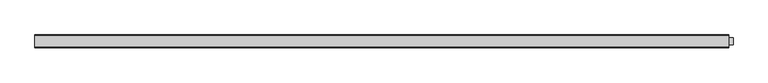
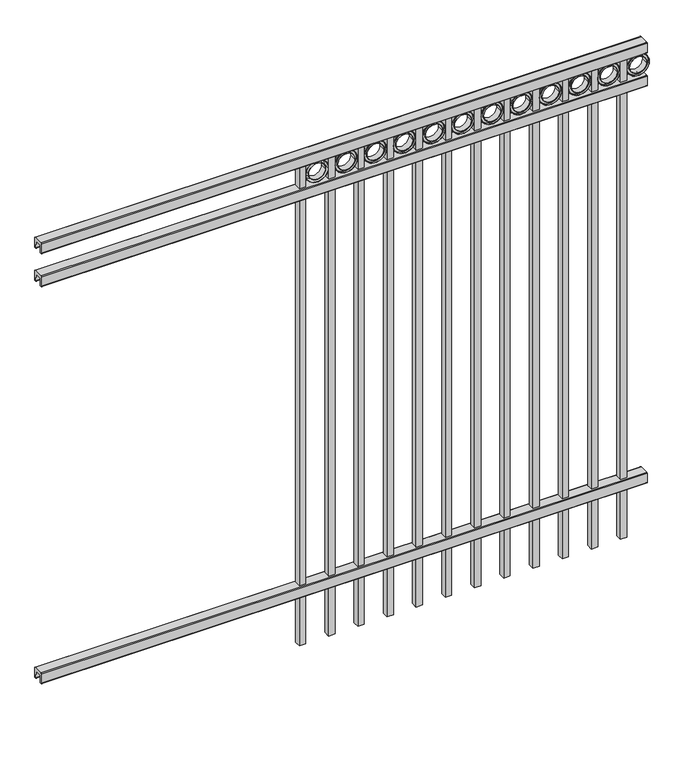
"""IFC4 building model written with IfcOpenShell, lengths in millimetres: railing geometry."""

from ifc_helpers import new_model, si_unit, point, frame, frame_2d, origin, place, context, project, spatial, polyline, circle_curve, trimmed, segment, composite_curve, outline, extrude, source, transform, mapped, element, save


def railing_6fe9418b(model_context):
    return source(origin(), model_context, "Body", "SweptSolid", [
        extrude(outline(composite_curve([segment(polyline([(8825.9139761, 304.8), (8863.969541, 304.8)]), True, "CONTINUOUS"), segment(trimmed(circle_curve(frame_2d((8863.969541, 301.625)), 3.175), [point((8863.969541, 304.8))], [point((8867.144541, 301.625))], False, "CARTESIAN"), True, "CONTINUOUS"), segment(polyline([(8867.144541, 301.625), (8867.144541, 262.1439893)]), True, "CONTINUOUS"), segment(trimmed(circle_curve(frame_2d((8865.3505518, 262.1439893)), 1.7939893), [point((8867.144541, 262.1439893))], [point((8865.3505518, 260.35))], False, "CARTESIAN"), True, "CONTINUOUS"), segment(polyline([(8865.3505518, 260.35), (8862.7590713, 260.35)]), True, "CONTINUOUS"), segment(trimmed(circle_curve(frame_2d((8862.7590713, 262.1359375)), 1.7859375), [point((8862.7590713, 260.35))], [point((8860.9755813, 262.0424688))], False, "CARTESIAN"), True, "CONTINUOUS"), segment(polyline([(8860.9755813, 262.0424688), (8859.4025867, 292.0569942), (8830.4364954, 292.0569942), (8828.8635007, 262.0424688)]), True, "CONTINUOUS"), segment(trimmed(circle_curve(frame_2d((8827.0800108, 262.1359375)), 1.7859375), [point((8828.8635007, 262.0424688))], [point((8827.0800108, 260.35))], False, "CARTESIAN"), True, "CONTINUOUS"), segment(polyline([(8827.0800108, 260.35), (8824.4804785, 260.35)]), True, "CONTINUOUS"), segment(trimmed(circle_curve(frame_2d((8824.4804785, 262.1359375)), 1.7859375), [point((8824.4804785, 260.35))], [point((8822.694541, 262.1359375))], False, "CARTESIAN"), True, "CONTINUOUS"), segment(polyline([(8822.694541, 262.1359375), (8822.694541, 301.5805649)]), True, "CONTINUOUS"), segment(trimmed(circle_curve(frame_2d((8825.9139761, 301.5805649)), 3.2194351), [point((8822.694541, 301.5805649))], [point((8825.9139761, 304.8))], False, "CARTESIAN"), True, "CONTINUOUS")], self_intersect=False)), frame((-6193.0649936, 0.0, 0.0), z_axis=(1.0, 0.0, 0.0), x_axis=(0.0, 1.0, 0.0)), (0.0, 0.0, 1.0), 2438.4),
        extrude(outline(composite_curve([segment(polyline([(8825.9139761, 1993.10625), (8863.969541, 1993.10625)]), True, "CONTINUOUS"), segment(trimmed(circle_curve(frame_2d((8863.969541, 1989.93125)), 3.175), [point((8863.969541, 1993.10625))], [point((8867.144541, 1989.93125))], False, "CARTESIAN"), True, "CONTINUOUS"), segment(polyline([(8867.144541, 1989.93125), (8867.144541, 1950.4502393)]), True, "CONTINUOUS"), segment(trimmed(circle_curve(frame_2d((8865.3505518, 1950.4502393)), 1.7939893), [point((8867.144541, 1950.4502393))], [point((8865.3505518, 1948.65625))], False, "CARTESIAN"), True, "CONTINUOUS"), segment(polyline([(8865.3505518, 1948.65625), (8862.7590713, 1948.65625)]), True, "CONTINUOUS"), segment(trimmed(circle_curve(frame_2d((8862.7590713, 1950.4421875)), 1.7859375), [point((8862.7590713, 1948.65625))], [point((8860.9755813, 1950.3487188))], False, "CARTESIAN"), True, "CONTINUOUS"), segment(polyline([(8860.9755813, 1950.3487188), (8859.4025867, 1980.3632442), (8830.4364954, 1980.3632442), (8828.8635007, 1950.3487188)]), True, "CONTINUOUS"), segment(trimmed(circle_curve(frame_2d((8827.0800108, 1950.4421875)), 1.7859375), [point((8828.8635007, 1950.3487188))], [point((8827.0800108, 1948.65625))], False, "CARTESIAN"), True, "CONTINUOUS"), segment(polyline([(8827.0800108, 1948.65625), (8824.4804785, 1948.65625)]), True, "CONTINUOUS"), segment(trimmed(circle_curve(frame_2d((8824.4804785, 1950.4421875)), 1.7859375), [point((8824.4804785, 1948.65625))], [point((8822.694541, 1950.4421875))], False, "CARTESIAN"), True, "CONTINUOUS"), segment(polyline([(8822.694541, 1950.4421875), (8822.694541, 1989.8868149)]), True, "CONTINUOUS"), segment(trimmed(circle_curve(frame_2d((8825.9139761, 1989.8868149)), 3.2194351), [point((8822.694541, 1989.8868149))], [point((8825.9139761, 1993.10625))], False, "CARTESIAN"), True, "CONTINUOUS")], self_intersect=False)), frame((-6193.0649936, 0.0, 0.0), z_axis=(1.0, 0.0, 0.0), x_axis=(0.0, 1.0, 0.0)), (0.0, 0.0, 1.0), 2438.4),
        extrude(outline(composite_curve([segment(polyline([(8825.9139761, 2133.6), (8863.969541, 2133.6)]), True, "CONTINUOUS"), segment(trimmed(circle_curve(frame_2d((8863.969541, 2130.425)), 3.175), [point((8863.969541, 2133.6))], [point((8867.144541, 2130.425))], False, "CARTESIAN"), True, "CONTINUOUS"), segment(polyline([(8867.144541, 2130.425), (8867.144541, 2090.9439893)]), True, "CONTINUOUS"), segment(trimmed(circle_curve(frame_2d((8865.3505518, 2090.9439893)), 1.7939893), [point((8867.144541, 2090.9439893))], [point((8865.3505518, 2089.15))], False, "CARTESIAN"), True, "CONTINUOUS"), segment(polyline([(8865.3505518, 2089.15), (8862.7590713, 2089.15)]), True, "CONTINUOUS"), segment(trimmed(circle_curve(frame_2d((8862.7590713, 2090.9359375)), 1.7859375), [point((8862.7590713, 2089.15))], [point((8860.9755813, 2090.8424688))], False, "CARTESIAN"), True, "CONTINUOUS"), segment(polyline([(8860.9755813, 2090.8424688), (8859.4025867, 2120.8569942), (8830.4364954, 2120.8569942), (8828.8635007, 2090.8424688)]), True, "CONTINUOUS"), segment(trimmed(circle_curve(frame_2d((8827.0800108, 2090.9359375)), 1.7859375), [point((8828.8635007, 2090.8424688))], [point((8827.0800108, 2089.15))], False, "CARTESIAN"), True, "CONTINUOUS"), segment(polyline([(8827.0800108, 2089.15), (8824.4804785, 2089.15)]), True, "CONTINUOUS"), segment(trimmed(circle_curve(frame_2d((8824.4804785, 2090.9359375)), 1.7859375), [point((8824.4804785, 2089.15))], [point((8822.694541, 2090.9359375))], False, "CARTESIAN"), True, "CONTINUOUS"), segment(polyline([(8822.694541, 2090.9359375), (8822.694541, 2130.3805649)]), True, "CONTINUOUS"), segment(trimmed(circle_curve(frame_2d((8825.9139761, 2130.3805649)), 3.2194351), [point((8822.694541, 2130.3805649))], [point((8825.9139761, 2133.6))], False, "CARTESIAN"), True, "CONTINUOUS")], self_intersect=False)), frame((-6193.0649936, 0.0, 0.0), z_axis=(1.0, 0.0, 0.0), x_axis=(0.0, 1.0, 0.0)), (0.0, 0.0, 1.0), 2438.4),
        extrude(outline(polyline([(0.0, -2038.35), (0.0, 0.0), (25.4, 0.0), (25.4, -2038.35), (0.0, -2038.35)])), frame((-3830.8649864, 8857.619541, 2089.15), z_axis=(-1.0, 0.0, 2.035783368465032e-09), x_axis=(0.0, -1.0, 0.0)), (0.0, 0.0, 1.0), 25.4),
        extrude(outline(composite_curve([segment(trimmed(circle_curve(frame_2d((2043.4511409, -3785.1661274)), 45.6988591), [point((2043.4511409, -3739.4672684))], [point((2043.4511409, -3830.8649865))], False, "CARTESIAN"), True, "CONTINUOUS"), segment(trimmed(circle_curve(frame_2d((2043.4511409, -3785.1661274)), 45.6988591), [point((2043.4511409, -3830.8649865))], [point((2043.4511409, -3739.4672684))], False, "CARTESIAN"), True, "CONTINUOUS")], self_intersect=False), holes=[composite_curve([segment(trimmed(circle_curve(frame_2d((2043.4511409, -3785.1661274)), 44.101539), [point((2043.4511409, -3741.0645884))], [point((2043.4511409, -3829.2676665))], True, "CARTESIAN"), True, "CONTINUOUS"), segment(trimmed(circle_curve(frame_2d((2043.4511409, -3785.1661274)), 44.101539), [point((2043.4511409, -3829.2676665))], [point((2043.4511409, -3741.0645884))], True, "CARTESIAN"), True, "CONTINUOUS")], self_intersect=False)]), frame((0.0, 8832.219541, 0.0), z_axis=(0.0, 1.0, 0.0), x_axis=(0.0, 0.0, 1.0)), (0.0, 0.0, 1.0), 25.4),
        extrude(outline(composite_curve([segment(trimmed(circle_curve(frame_2d((2043.4511409, -3785.1661274)), 34.6370762), [point((2043.4511409, -3750.5290512))], [point((2043.4511409, -3819.8032037))], False, "CARTESIAN"), True, "CONTINUOUS"), segment(trimmed(circle_curve(frame_2d((2043.4511409, -3785.1661274)), 34.6370762), [point((2043.4511409, -3819.8032037))], [point((2043.4511409, -3750.5290512))], False, "CARTESIAN"), True, "CONTINUOUS")], self_intersect=False), holes=[composite_curve([segment(trimmed(circle_curve(frame_2d((2043.4511409, -3785.1661274)), 33.0443887), [point((2043.4511409, -3752.1217388))], [point((2043.4511409, -3818.2105161))], True, "CARTESIAN"), True, "CONTINUOUS"), segment(trimmed(circle_curve(frame_2d((2043.4511409, -3785.1661274)), 33.0443887), [point((2043.4511409, -3818.2105161))], [point((2043.4511409, -3752.1217388))], True, "CARTESIAN"), True, "CONTINUOUS")], self_intersect=False)]), frame((0.0, 8832.219541, 0.0), z_axis=(0.0, 1.0, 0.0), x_axis=(0.0, 0.0, 1.0)), (0.0, 0.0, 1.0), 25.4),
        extrude(outline(composite_curve([segment(trimmed(circle_curve(frame_2d((2043.4511409, -3785.1661274)), 45.6988591), [point((2043.4511409, -3739.4672684))], [point((2043.4511409, -3830.8649865))], False, "CARTESIAN"), True, "CONTINUOUS"), segment(trimmed(circle_curve(frame_2d((2043.4511409, -3785.1661274)), 45.6988591), [point((2043.4511409, -3830.8649865))], [point((2043.4511409, -3739.4672684))], False, "CARTESIAN"), True, "CONTINUOUS")], self_intersect=False), holes=[composite_curve([segment(trimmed(circle_curve(frame_2d((2043.4511409, -3785.1661274)), 33.0443887), [point((2043.4511409, -3752.1217388))], [point((2043.4511409, -3818.2105161))], True, "CARTESIAN"), True, "CONTINUOUS"), segment(trimmed(circle_curve(frame_2d((2043.4511409, -3785.1661274)), 33.0443887), [point((2043.4511409, -3818.2105161))], [point((2043.4511409, -3752.1217388))], True, "CARTESIAN"), True, "CONTINUOUS")], self_intersect=False)]), frame((0.0, 8838.569541, 0.0), z_axis=(0.0, 1.0, 0.0), x_axis=(0.0, 0.0, 1.0)), (0.0, 0.0, 1.0), 12.7),
        extrude(outline(polyline([(0.0, -2038.35), (0.0, 0.0), (25.4, 0.0), (25.4, -2038.35), (0.0, -2038.35)])), frame((-3948.3399864, 8857.619541, 2089.15), z_axis=(-1.0, 0.0, 2.035783368465032e-09), x_axis=(0.0, -1.0, 0.0)), (0.0, 0.0, 1.0), 25.4),
        extrude(outline(composite_curve([segment(trimmed(circle_curve(frame_2d((2043.4511409, -3902.6411274)), 45.6988591), [point((2043.4511409, -3856.9422684))], [point((2043.4511409, -3948.3399865))], False, "CARTESIAN"), True, "CONTINUOUS"), segment(trimmed(circle_curve(frame_2d((2043.4511409, -3902.6411274)), 45.6988591), [point((2043.4511409, -3948.3399865))], [point((2043.4511409, -3856.9422684))], False, "CARTESIAN"), True, "CONTINUOUS")], self_intersect=False), holes=[composite_curve([segment(trimmed(circle_curve(frame_2d((2043.4511409, -3902.6411274)), 44.101539), [point((2043.4511409, -3858.5395884))], [point((2043.4511409, -3946.7426665))], True, "CARTESIAN"), True, "CONTINUOUS"), segment(trimmed(circle_curve(frame_2d((2043.4511409, -3902.6411274)), 44.101539), [point((2043.4511409, -3946.7426665))], [point((2043.4511409, -3858.5395884))], True, "CARTESIAN"), True, "CONTINUOUS")], self_intersect=False)]), frame((0.0, 8832.219541, 0.0), z_axis=(0.0, 1.0, 0.0), x_axis=(0.0, 0.0, 1.0)), (0.0, 0.0, 1.0), 25.4),
        extrude(outline(composite_curve([segment(trimmed(circle_curve(frame_2d((2043.4511409, -3902.6411274)), 34.6370762), [point((2043.4511409, -3868.0040512))], [point((2043.4511409, -3937.2782037))], False, "CARTESIAN"), True, "CONTINUOUS"), segment(trimmed(circle_curve(frame_2d((2043.4511409, -3902.6411274)), 34.6370762), [point((2043.4511409, -3937.2782037))], [point((2043.4511409, -3868.0040512))], False, "CARTESIAN"), True, "CONTINUOUS")], self_intersect=False), holes=[composite_curve([segment(trimmed(circle_curve(frame_2d((2043.4511409, -3902.6411274)), 33.0443887), [point((2043.4511409, -3869.5967388))], [point((2043.4511409, -3935.6855161))], True, "CARTESIAN"), True, "CONTINUOUS"), segment(trimmed(circle_curve(frame_2d((2043.4511409, -3902.6411274)), 33.0443887), [point((2043.4511409, -3935.6855161))], [point((2043.4511409, -3869.5967388))], True, "CARTESIAN"), True, "CONTINUOUS")], self_intersect=False)]), frame((0.0, 8832.219541, 0.0), z_axis=(0.0, 1.0, 0.0), x_axis=(0.0, 0.0, 1.0)), (0.0, 0.0, 1.0), 25.4),
        extrude(outline(composite_curve([segment(trimmed(circle_curve(frame_2d((2043.4511409, -3902.6411274)), 45.6988591), [point((2043.4511409, -3856.9422684))], [point((2043.4511409, -3948.3399865))], False, "CARTESIAN"), True, "CONTINUOUS"), segment(trimmed(circle_curve(frame_2d((2043.4511409, -3902.6411274)), 45.6988591), [point((2043.4511409, -3948.3399865))], [point((2043.4511409, -3856.9422684))], False, "CARTESIAN"), True, "CONTINUOUS")], self_intersect=False), holes=[composite_curve([segment(trimmed(circle_curve(frame_2d((2043.4511409, -3902.6411274)), 33.0443887), [point((2043.4511409, -3869.5967388))], [point((2043.4511409, -3935.6855161))], True, "CARTESIAN"), True, "CONTINUOUS"), segment(trimmed(circle_curve(frame_2d((2043.4511409, -3902.6411274)), 33.0443887), [point((2043.4511409, -3935.6855161))], [point((2043.4511409, -3869.5967388))], True, "CARTESIAN"), True, "CONTINUOUS")], self_intersect=False)]), frame((0.0, 8838.569541, 0.0), z_axis=(0.0, 1.0, 0.0), x_axis=(0.0, 0.0, 1.0)), (0.0, 0.0, 1.0), 12.7),
        extrude(outline(polyline([(0.0, -2038.35), (0.0, 0.0), (25.4, 0.0), (25.4, -2038.35), (0.0, -2038.35)])), frame((-4065.8149864, 8857.619541, 2089.15), z_axis=(-1.0, 0.0, 2.035783368465032e-09), x_axis=(0.0, -1.0, 0.0)), (0.0, 0.0, 1.0), 25.4),
        extrude(outline(composite_curve([segment(trimmed(circle_curve(frame_2d((2043.4511409, -4020.1161274)), 45.6988591), [point((2043.4511409, -3974.4172684))], [point((2043.4511409, -4065.8149865))], False, "CARTESIAN"), True, "CONTINUOUS"), segment(trimmed(circle_curve(frame_2d((2043.4511409, -4020.1161274)), 45.6988591), [point((2043.4511409, -4065.8149865))], [point((2043.4511409, -3974.4172684))], False, "CARTESIAN"), True, "CONTINUOUS")], self_intersect=False), holes=[composite_curve([segment(trimmed(circle_curve(frame_2d((2043.4511409, -4020.1161274)), 44.101539), [point((2043.4511409, -3976.0145884))], [point((2043.4511409, -4064.2176665))], True, "CARTESIAN"), True, "CONTINUOUS"), segment(trimmed(circle_curve(frame_2d((2043.4511409, -4020.1161274)), 44.101539), [point((2043.4511409, -4064.2176665))], [point((2043.4511409, -3976.0145884))], True, "CARTESIAN"), True, "CONTINUOUS")], self_intersect=False)]), frame((0.0, 8832.219541, 0.0), z_axis=(0.0, 1.0, 0.0), x_axis=(0.0, 0.0, 1.0)), (0.0, 0.0, 1.0), 25.4),
        extrude(outline(composite_curve([segment(trimmed(circle_curve(frame_2d((2043.4511409, -4020.1161274)), 34.6370762), [point((2043.4511409, -3985.4790512))], [point((2043.4511409, -4054.7532037))], False, "CARTESIAN"), True, "CONTINUOUS"), segment(trimmed(circle_curve(frame_2d((2043.4511409, -4020.1161274)), 34.6370762), [point((2043.4511409, -4054.7532037))], [point((2043.4511409, -3985.4790512))], False, "CARTESIAN"), True, "CONTINUOUS")], self_intersect=False), holes=[composite_curve([segment(trimmed(circle_curve(frame_2d((2043.4511409, -4020.1161274)), 33.0443887), [point((2043.4511409, -3987.0717388))], [point((2043.4511409, -4053.1605161))], True, "CARTESIAN"), True, "CONTINUOUS"), segment(trimmed(circle_curve(frame_2d((2043.4511409, -4020.1161274)), 33.0443887), [point((2043.4511409, -4053.1605161))], [point((2043.4511409, -3987.0717388))], True, "CARTESIAN"), True, "CONTINUOUS")], self_intersect=False)]), frame((0.0, 8832.219541, 0.0), z_axis=(0.0, 1.0, 0.0), x_axis=(0.0, 0.0, 1.0)), (0.0, 0.0, 1.0), 25.4),
        extrude(outline(composite_curve([segment(trimmed(circle_curve(frame_2d((2043.4511409, -4020.1161274)), 45.6988591), [point((2043.4511409, -3974.4172684))], [point((2043.4511409, -4065.8149865))], False, "CARTESIAN"), True, "CONTINUOUS"), segment(trimmed(circle_curve(frame_2d((2043.4511409, -4020.1161274)), 45.6988591), [point((2043.4511409, -4065.8149865))], [point((2043.4511409, -3974.4172684))], False, "CARTESIAN"), True, "CONTINUOUS")], self_intersect=False), holes=[composite_curve([segment(trimmed(circle_curve(frame_2d((2043.4511409, -4020.1161274)), 33.0443887), [point((2043.4511409, -3987.0717388))], [point((2043.4511409, -4053.1605161))], True, "CARTESIAN"), True, "CONTINUOUS"), segment(trimmed(circle_curve(frame_2d((2043.4511409, -4020.1161274)), 33.0443887), [point((2043.4511409, -4053.1605161))], [point((2043.4511409, -3987.0717388))], True, "CARTESIAN"), True, "CONTINUOUS")], self_intersect=False)]), frame((0.0, 8838.569541, 0.0), z_axis=(0.0, 1.0, 0.0), x_axis=(0.0, 0.0, 1.0)), (0.0, 0.0, 1.0), 12.7),
        extrude(outline(polyline([(0.0, -2038.35), (0.0, 0.0), (25.4, 0.0), (25.4, -2038.35), (0.0, -2038.35)])), frame((-4183.2899864, 8857.619541, 2089.15), z_axis=(-1.0, 0.0, 2.035783368465032e-09), x_axis=(0.0, -1.0, 0.0)), (0.0, 0.0, 1.0), 25.4),
        extrude(outline(composite_curve([segment(trimmed(circle_curve(frame_2d((2043.4511409, -4137.5911274)), 45.6988591), [point((2043.4511409, -4091.8922684))], [point((2043.4511409, -4183.2899865))], False, "CARTESIAN"), True, "CONTINUOUS"), segment(trimmed(circle_curve(frame_2d((2043.4511409, -4137.5911274)), 45.6988591), [point((2043.4511409, -4183.2899865))], [point((2043.4511409, -4091.8922684))], False, "CARTESIAN"), True, "CONTINUOUS")], self_intersect=False), holes=[composite_curve([segment(trimmed(circle_curve(frame_2d((2043.4511409, -4137.5911274)), 44.101539), [point((2043.4511409, -4093.4895884))], [point((2043.4511409, -4181.6926665))], True, "CARTESIAN"), True, "CONTINUOUS"), segment(trimmed(circle_curve(frame_2d((2043.4511409, -4137.5911274)), 44.101539), [point((2043.4511409, -4181.6926665))], [point((2043.4511409, -4093.4895884))], True, "CARTESIAN"), True, "CONTINUOUS")], self_intersect=False)]), frame((0.0, 8832.219541, 0.0), z_axis=(0.0, 1.0, 0.0), x_axis=(0.0, 0.0, 1.0)), (0.0, 0.0, 1.0), 25.4),
        extrude(outline(composite_curve([segment(trimmed(circle_curve(frame_2d((2043.4511409, -4137.5911274)), 34.6370762), [point((2043.4511409, -4102.9540512))], [point((2043.4511409, -4172.2282037))], False, "CARTESIAN"), True, "CONTINUOUS"), segment(trimmed(circle_curve(frame_2d((2043.4511409, -4137.5911274)), 34.6370762), [point((2043.4511409, -4172.2282037))], [point((2043.4511409, -4102.9540512))], False, "CARTESIAN"), True, "CONTINUOUS")], self_intersect=False), holes=[composite_curve([segment(trimmed(circle_curve(frame_2d((2043.4511409, -4137.5911274)), 33.0443887), [point((2043.4511409, -4104.5467388))], [point((2043.4511409, -4170.6355161))], True, "CARTESIAN"), True, "CONTINUOUS"), segment(trimmed(circle_curve(frame_2d((2043.4511409, -4137.5911274)), 33.0443887), [point((2043.4511409, -4170.6355161))], [point((2043.4511409, -4104.5467388))], True, "CARTESIAN"), True, "CONTINUOUS")], self_intersect=False)]), frame((0.0, 8832.219541, 0.0), z_axis=(0.0, 1.0, 0.0), x_axis=(0.0, 0.0, 1.0)), (0.0, 0.0, 1.0), 25.4),
        extrude(outline(composite_curve([segment(trimmed(circle_curve(frame_2d((2043.4511409, -4137.5911274)), 45.6988591), [point((2043.4511409, -4091.8922684))], [point((2043.4511409, -4183.2899865))], False, "CARTESIAN"), True, "CONTINUOUS"), segment(trimmed(circle_curve(frame_2d((2043.4511409, -4137.5911274)), 45.6988591), [point((2043.4511409, -4183.2899865))], [point((2043.4511409, -4091.8922684))], False, "CARTESIAN"), True, "CONTINUOUS")], self_intersect=False), holes=[composite_curve([segment(trimmed(circle_curve(frame_2d((2043.4511409, -4137.5911274)), 33.0443887), [point((2043.4511409, -4104.5467388))], [point((2043.4511409, -4170.6355161))], True, "CARTESIAN"), True, "CONTINUOUS"), segment(trimmed(circle_curve(frame_2d((2043.4511409, -4137.5911274)), 33.0443887), [point((2043.4511409, -4170.6355161))], [point((2043.4511409, -4104.5467388))], True, "CARTESIAN"), True, "CONTINUOUS")], self_intersect=False)]), frame((0.0, 8838.569541, 0.0), z_axis=(0.0, 1.0, 0.0), x_axis=(0.0, 0.0, 1.0)), (0.0, 0.0, 1.0), 12.7),
        extrude(outline(polyline([(0.0, -2038.35), (0.0, 0.0), (25.4, 0.0), (25.4, -2038.35), (0.0, -2038.35)])), frame((-4300.7649864, 8857.619541, 2089.15), z_axis=(-1.0, 0.0, 2.035783368465032e-09), x_axis=(0.0, -1.0, 0.0)), (0.0, 0.0, 1.0), 25.4),
        extrude(outline(composite_curve([segment(trimmed(circle_curve(frame_2d((2043.4511409, -4255.0661274)), 45.6988591), [point((2043.4511409, -4209.3672684))], [point((2043.4511409, -4300.7649865))], False, "CARTESIAN"), True, "CONTINUOUS"), segment(trimmed(circle_curve(frame_2d((2043.4511409, -4255.0661274)), 45.6988591), [point((2043.4511409, -4300.7649865))], [point((2043.4511409, -4209.3672684))], False, "CARTESIAN"), True, "CONTINUOUS")], self_intersect=False), holes=[composite_curve([segment(trimmed(circle_curve(frame_2d((2043.4511409, -4255.0661274)), 44.101539), [point((2043.4511409, -4210.9645884))], [point((2043.4511409, -4299.1676665))], True, "CARTESIAN"), True, "CONTINUOUS"), segment(trimmed(circle_curve(frame_2d((2043.4511409, -4255.0661274)), 44.101539), [point((2043.4511409, -4299.1676665))], [point((2043.4511409, -4210.9645884))], True, "CARTESIAN"), True, "CONTINUOUS")], self_intersect=False)]), frame((0.0, 8832.219541, 0.0), z_axis=(0.0, 1.0, 0.0), x_axis=(0.0, 0.0, 1.0)), (0.0, 0.0, 1.0), 25.4),
        extrude(outline(composite_curve([segment(trimmed(circle_curve(frame_2d((2043.4511409, -4255.0661274)), 34.6370762), [point((2043.4511409, -4220.4290512))], [point((2043.4511409, -4289.7032037))], False, "CARTESIAN"), True, "CONTINUOUS"), segment(trimmed(circle_curve(frame_2d((2043.4511409, -4255.0661274)), 34.6370762), [point((2043.4511409, -4289.7032037))], [point((2043.4511409, -4220.4290512))], False, "CARTESIAN"), True, "CONTINUOUS")], self_intersect=False), holes=[composite_curve([segment(trimmed(circle_curve(frame_2d((2043.4511409, -4255.0661274)), 33.0443887), [point((2043.4511409, -4222.0217388))], [point((2043.4511409, -4288.1105161))], True, "CARTESIAN"), True, "CONTINUOUS"), segment(trimmed(circle_curve(frame_2d((2043.4511409, -4255.0661274)), 33.0443887), [point((2043.4511409, -4288.1105161))], [point((2043.4511409, -4222.0217388))], True, "CARTESIAN"), True, "CONTINUOUS")], self_intersect=False)]), frame((0.0, 8832.219541, 0.0), z_axis=(0.0, 1.0, 0.0), x_axis=(0.0, 0.0, 1.0)), (0.0, 0.0, 1.0), 25.4),
        extrude(outline(composite_curve([segment(trimmed(circle_curve(frame_2d((2043.4511409, -4255.0661274)), 45.6988591), [point((2043.4511409, -4209.3672684))], [point((2043.4511409, -4300.7649865))], False, "CARTESIAN"), True, "CONTINUOUS"), segment(trimmed(circle_curve(frame_2d((2043.4511409, -4255.0661274)), 45.6988591), [point((2043.4511409, -4300.7649865))], [point((2043.4511409, -4209.3672684))], False, "CARTESIAN"), True, "CONTINUOUS")], self_intersect=False), holes=[composite_curve([segment(trimmed(circle_curve(frame_2d((2043.4511409, -4255.0661274)), 33.0443887), [point((2043.4511409, -4222.0217388))], [point((2043.4511409, -4288.1105161))], True, "CARTESIAN"), True, "CONTINUOUS"), segment(trimmed(circle_curve(frame_2d((2043.4511409, -4255.0661274)), 33.0443887), [point((2043.4511409, -4288.1105161))], [point((2043.4511409, -4222.0217388))], True, "CARTESIAN"), True, "CONTINUOUS")], self_intersect=False)]), frame((0.0, 8838.569541, 0.0), z_axis=(0.0, 1.0, 0.0), x_axis=(0.0, 0.0, 1.0)), (0.0, 0.0, 1.0), 12.7),
        extrude(outline(polyline([(0.0, -2038.35), (0.0, 0.0), (25.4, 0.0), (25.4, -2038.35), (0.0, -2038.35)])), frame((-4418.2399864, 8857.619541, 2089.15), z_axis=(-1.0, 0.0, 2.035783368465032e-09), x_axis=(0.0, -1.0, 0.0)), (0.0, 0.0, 1.0), 25.4),
        extrude(outline(composite_curve([segment(trimmed(circle_curve(frame_2d((2043.4511409, -4372.5411274)), 45.6988591), [point((2043.4511409, -4326.8422684))], [point((2043.4511409, -4418.2399865))], False, "CARTESIAN"), True, "CONTINUOUS"), segment(trimmed(circle_curve(frame_2d((2043.4511409, -4372.5411274)), 45.6988591), [point((2043.4511409, -4418.2399865))], [point((2043.4511409, -4326.8422684))], False, "CARTESIAN"), True, "CONTINUOUS")], self_intersect=False), holes=[composite_curve([segment(trimmed(circle_curve(frame_2d((2043.4511409, -4372.5411274)), 44.101539), [point((2043.4511409, -4328.4395884))], [point((2043.4511409, -4416.6426665))], True, "CARTESIAN"), True, "CONTINUOUS"), segment(trimmed(circle_curve(frame_2d((2043.4511409, -4372.5411274)), 44.101539), [point((2043.4511409, -4416.6426665))], [point((2043.4511409, -4328.4395884))], True, "CARTESIAN"), True, "CONTINUOUS")], self_intersect=False)]), frame((0.0, 8832.219541, 0.0), z_axis=(0.0, 1.0, 0.0), x_axis=(0.0, 0.0, 1.0)), (0.0, 0.0, 1.0), 25.4),
        extrude(outline(composite_curve([segment(trimmed(circle_curve(frame_2d((2043.4511409, -4372.5411274)), 34.6370762), [point((2043.4511409, -4337.9040512))], [point((2043.4511409, -4407.1782037))], False, "CARTESIAN"), True, "CONTINUOUS"), segment(trimmed(circle_curve(frame_2d((2043.4511409, -4372.5411274)), 34.6370762), [point((2043.4511409, -4407.1782037))], [point((2043.4511409, -4337.9040512))], False, "CARTESIAN"), True, "CONTINUOUS")], self_intersect=False), holes=[composite_curve([segment(trimmed(circle_curve(frame_2d((2043.4511409, -4372.5411274)), 33.0443887), [point((2043.4511409, -4339.4967388))], [point((2043.4511409, -4405.5855161))], True, "CARTESIAN"), True, "CONTINUOUS"), segment(trimmed(circle_curve(frame_2d((2043.4511409, -4372.5411274)), 33.0443887), [point((2043.4511409, -4405.5855161))], [point((2043.4511409, -4339.4967388))], True, "CARTESIAN"), True, "CONTINUOUS")], self_intersect=False)]), frame((0.0, 8832.219541, 0.0), z_axis=(0.0, 1.0, 0.0), x_axis=(0.0, 0.0, 1.0)), (0.0, 0.0, 1.0), 25.4),
        extrude(outline(composite_curve([segment(trimmed(circle_curve(frame_2d((2043.4511409, -4372.5411274)), 45.6988591), [point((2043.4511409, -4326.8422684))], [point((2043.4511409, -4418.2399865))], False, "CARTESIAN"), True, "CONTINUOUS"), segment(trimmed(circle_curve(frame_2d((2043.4511409, -4372.5411274)), 45.6988591), [point((2043.4511409, -4418.2399865))], [point((2043.4511409, -4326.8422684))], False, "CARTESIAN"), True, "CONTINUOUS")], self_intersect=False), holes=[composite_curve([segment(trimmed(circle_curve(frame_2d((2043.4511409, -4372.5411274)), 33.0443887), [point((2043.4511409, -4339.4967388))], [point((2043.4511409, -4405.5855161))], True, "CARTESIAN"), True, "CONTINUOUS"), segment(trimmed(circle_curve(frame_2d((2043.4511409, -4372.5411274)), 33.0443887), [point((2043.4511409, -4405.5855161))], [point((2043.4511409, -4339.4967388))], True, "CARTESIAN"), True, "CONTINUOUS")], self_intersect=False)]), frame((0.0, 8838.569541, 0.0), z_axis=(0.0, 1.0, 0.0), x_axis=(0.0, 0.0, 1.0)), (0.0, 0.0, 1.0), 12.7),
        extrude(outline(polyline([(0.0, -2038.35), (0.0, 0.0), (25.4, 0.0), (25.4, -2038.35), (0.0, -2038.35)])), frame((-4535.7149864, 8857.619541, 2089.15), z_axis=(-1.0, 0.0, 2.035783368465032e-09), x_axis=(0.0, -1.0, 0.0)), (0.0, 0.0, 1.0), 25.4),
        extrude(outline(composite_curve([segment(trimmed(circle_curve(frame_2d((2043.4511409, -4490.0161274)), 45.6988591), [point((2043.4511409, -4444.3172684))], [point((2043.4511409, -4535.7149865))], False, "CARTESIAN"), True, "CONTINUOUS"), segment(trimmed(circle_curve(frame_2d((2043.4511409, -4490.0161274)), 45.6988591), [point((2043.4511409, -4535.7149865))], [point((2043.4511409, -4444.3172684))], False, "CARTESIAN"), True, "CONTINUOUS")], self_intersect=False), holes=[composite_curve([segment(trimmed(circle_curve(frame_2d((2043.4511409, -4490.0161274)), 44.101539), [point((2043.4511409, -4445.9145884))], [point((2043.4511409, -4534.1176665))], True, "CARTESIAN"), True, "CONTINUOUS"), segment(trimmed(circle_curve(frame_2d((2043.4511409, -4490.0161274)), 44.101539), [point((2043.4511409, -4534.1176665))], [point((2043.4511409, -4445.9145884))], True, "CARTESIAN"), True, "CONTINUOUS")], self_intersect=False)]), frame((0.0, 8832.219541, 0.0), z_axis=(0.0, 1.0, 0.0), x_axis=(0.0, 0.0, 1.0)), (0.0, 0.0, 1.0), 25.4),
        extrude(outline(composite_curve([segment(trimmed(circle_curve(frame_2d((2043.4511409, -4490.0161274)), 34.6370762), [point((2043.4511409, -4455.3790512))], [point((2043.4511409, -4524.6532037))], False, "CARTESIAN"), True, "CONTINUOUS"), segment(trimmed(circle_curve(frame_2d((2043.4511409, -4490.0161274)), 34.6370762), [point((2043.4511409, -4524.6532037))], [point((2043.4511409, -4455.3790512))], False, "CARTESIAN"), True, "CONTINUOUS")], self_intersect=False), holes=[composite_curve([segment(trimmed(circle_curve(frame_2d((2043.4511409, -4490.0161274)), 33.0443887), [point((2043.4511409, -4456.9717388))], [point((2043.4511409, -4523.0605161))], True, "CARTESIAN"), True, "CONTINUOUS"), segment(trimmed(circle_curve(frame_2d((2043.4511409, -4490.0161274)), 33.0443887), [point((2043.4511409, -4523.0605161))], [point((2043.4511409, -4456.9717388))], True, "CARTESIAN"), True, "CONTINUOUS")], self_intersect=False)]), frame((0.0, 8832.219541, 0.0), z_axis=(0.0, 1.0, 0.0), x_axis=(0.0, 0.0, 1.0)), (0.0, 0.0, 1.0), 25.4),
        extrude(outline(composite_curve([segment(trimmed(circle_curve(frame_2d((2043.4511409, -4490.0161274)), 45.6988591), [point((2043.4511409, -4444.3172684))], [point((2043.4511409, -4535.7149865))], False, "CARTESIAN"), True, "CONTINUOUS"), segment(trimmed(circle_curve(frame_2d((2043.4511409, -4490.0161274)), 45.6988591), [point((2043.4511409, -4535.7149865))], [point((2043.4511409, -4444.3172684))], False, "CARTESIAN"), True, "CONTINUOUS")], self_intersect=False), holes=[composite_curve([segment(trimmed(circle_curve(frame_2d((2043.4511409, -4490.0161274)), 33.0443887), [point((2043.4511409, -4456.9717388))], [point((2043.4511409, -4523.0605161))], True, "CARTESIAN"), True, "CONTINUOUS"), segment(trimmed(circle_curve(frame_2d((2043.4511409, -4490.0161274)), 33.0443887), [point((2043.4511409, -4523.0605161))], [point((2043.4511409, -4456.9717388))], True, "CARTESIAN"), True, "CONTINUOUS")], self_intersect=False)]), frame((0.0, 8838.569541, 0.0), z_axis=(0.0, 1.0, 0.0), x_axis=(0.0, 0.0, 1.0)), (0.0, 0.0, 1.0), 12.7),
        extrude(outline(polyline([(0.0, -2038.35), (0.0, 0.0), (25.4, 0.0), (25.4, -2038.35), (0.0, -2038.35)])), frame((-4653.1899864, 8857.619541, 2089.15), z_axis=(-1.0, 0.0, 2.035783368465032e-09), x_axis=(0.0, -1.0, 0.0)), (0.0, 0.0, 1.0), 25.4),
        extrude(outline(composite_curve([segment(trimmed(circle_curve(frame_2d((2043.4511409, -4607.4911274)), 45.6988591), [point((2043.4511409, -4561.7922684))], [point((2043.4511409, -4653.1899865))], False, "CARTESIAN"), True, "CONTINUOUS"), segment(trimmed(circle_curve(frame_2d((2043.4511409, -4607.4911274)), 45.6988591), [point((2043.4511409, -4653.1899865))], [point((2043.4511409, -4561.7922684))], False, "CARTESIAN"), True, "CONTINUOUS")], self_intersect=False), holes=[composite_curve([segment(trimmed(circle_curve(frame_2d((2043.4511409, -4607.4911274)), 44.101539), [point((2043.4511409, -4563.3895884))], [point((2043.4511409, -4651.5926665))], True, "CARTESIAN"), True, "CONTINUOUS"), segment(trimmed(circle_curve(frame_2d((2043.4511409, -4607.4911274)), 44.101539), [point((2043.4511409, -4651.5926665))], [point((2043.4511409, -4563.3895884))], True, "CARTESIAN"), True, "CONTINUOUS")], self_intersect=False)]), frame((0.0, 8832.219541, 0.0), z_axis=(0.0, 1.0, 0.0), x_axis=(0.0, 0.0, 1.0)), (0.0, 0.0, 1.0), 25.4),
        extrude(outline(composite_curve([segment(trimmed(circle_curve(frame_2d((2043.4511409, -4607.4911274)), 34.6370762), [point((2043.4511409, -4572.8540512))], [point((2043.4511409, -4642.1282037))], False, "CARTESIAN"), True, "CONTINUOUS"), segment(trimmed(circle_curve(frame_2d((2043.4511409, -4607.4911274)), 34.6370762), [point((2043.4511409, -4642.1282037))], [point((2043.4511409, -4572.8540512))], False, "CARTESIAN"), True, "CONTINUOUS")], self_intersect=False), holes=[composite_curve([segment(trimmed(circle_curve(frame_2d((2043.4511409, -4607.4911274)), 33.0443887), [point((2043.4511409, -4574.4467388))], [point((2043.4511409, -4640.5355161))], True, "CARTESIAN"), True, "CONTINUOUS"), segment(trimmed(circle_curve(frame_2d((2043.4511409, -4607.4911274)), 33.0443887), [point((2043.4511409, -4640.5355161))], [point((2043.4511409, -4574.4467388))], True, "CARTESIAN"), True, "CONTINUOUS")], self_intersect=False)]), frame((0.0, 8832.219541, 0.0), z_axis=(0.0, 1.0, 0.0), x_axis=(0.0, 0.0, 1.0)), (0.0, 0.0, 1.0), 25.4),
        extrude(outline(composite_curve([segment(trimmed(circle_curve(frame_2d((2043.4511409, -4607.4911274)), 45.6988591), [point((2043.4511409, -4561.7922684))], [point((2043.4511409, -4653.1899865))], False, "CARTESIAN"), True, "CONTINUOUS"), segment(trimmed(circle_curve(frame_2d((2043.4511409, -4607.4911274)), 45.6988591), [point((2043.4511409, -4653.1899865))], [point((2043.4511409, -4561.7922684))], False, "CARTESIAN"), True, "CONTINUOUS")], self_intersect=False), holes=[composite_curve([segment(trimmed(circle_curve(frame_2d((2043.4511409, -4607.4911274)), 33.0443887), [point((2043.4511409, -4574.4467388))], [point((2043.4511409, -4640.5355161))], True, "CARTESIAN"), True, "CONTINUOUS"), segment(trimmed(circle_curve(frame_2d((2043.4511409, -4607.4911274)), 33.0443887), [point((2043.4511409, -4640.5355161))], [point((2043.4511409, -4574.4467388))], True, "CARTESIAN"), True, "CONTINUOUS")], self_intersect=False)]), frame((0.0, 8838.569541, 0.0), z_axis=(0.0, 1.0, 0.0), x_axis=(0.0, 0.0, 1.0)), (0.0, 0.0, 1.0), 12.7),
        extrude(outline(polyline([(0.0, -2038.35), (0.0, 0.0), (25.4, 0.0), (25.4, -2038.35), (0.0, -2038.35)])), frame((-4770.6649864, 8857.619541, 2089.15), z_axis=(-1.0, 0.0, 2.035783368465032e-09), x_axis=(0.0, -1.0, 0.0)), (0.0, 0.0, 1.0), 25.4),
        extrude(outline(composite_curve([segment(trimmed(circle_curve(frame_2d((2043.4511409, -4724.9661274)), 45.6988591), [point((2043.4511409, -4679.2672684))], [point((2043.4511409, -4770.6649865))], False, "CARTESIAN"), True, "CONTINUOUS"), segment(trimmed(circle_curve(frame_2d((2043.4511409, -4724.9661274)), 45.6988591), [point((2043.4511409, -4770.6649865))], [point((2043.4511409, -4679.2672684))], False, "CARTESIAN"), True, "CONTINUOUS")], self_intersect=False), holes=[composite_curve([segment(trimmed(circle_curve(frame_2d((2043.4511409, -4724.9661274)), 44.101539), [point((2043.4511409, -4680.8645884))], [point((2043.4511409, -4769.0676665))], True, "CARTESIAN"), True, "CONTINUOUS"), segment(trimmed(circle_curve(frame_2d((2043.4511409, -4724.9661274)), 44.101539), [point((2043.4511409, -4769.0676665))], [point((2043.4511409, -4680.8645884))], True, "CARTESIAN"), True, "CONTINUOUS")], self_intersect=False)]), frame((0.0, 8832.219541, 0.0), z_axis=(0.0, 1.0, 0.0), x_axis=(0.0, 0.0, 1.0)), (0.0, 0.0, 1.0), 25.4),
        extrude(outline(composite_curve([segment(trimmed(circle_curve(frame_2d((2043.4511409, -4724.9661274)), 34.6370762), [point((2043.4511409, -4690.3290512))], [point((2043.4511409, -4759.6032037))], False, "CARTESIAN"), True, "CONTINUOUS"), segment(trimmed(circle_curve(frame_2d((2043.4511409, -4724.9661274)), 34.6370762), [point((2043.4511409, -4759.6032037))], [point((2043.4511409, -4690.3290512))], False, "CARTESIAN"), True, "CONTINUOUS")], self_intersect=False), holes=[composite_curve([segment(trimmed(circle_curve(frame_2d((2043.4511409, -4724.9661274)), 33.0443887), [point((2043.4511409, -4691.9217388))], [point((2043.4511409, -4758.0105161))], True, "CARTESIAN"), True, "CONTINUOUS"), segment(trimmed(circle_curve(frame_2d((2043.4511409, -4724.9661274)), 33.0443887), [point((2043.4511409, -4758.0105161))], [point((2043.4511409, -4691.9217388))], True, "CARTESIAN"), True, "CONTINUOUS")], self_intersect=False)]), frame((0.0, 8832.219541, 0.0), z_axis=(0.0, 1.0, 0.0), x_axis=(0.0, 0.0, 1.0)), (0.0, 0.0, 1.0), 25.4),
        extrude(outline(composite_curve([segment(trimmed(circle_curve(frame_2d((2043.4511409, -4724.9661274)), 45.6988591), [point((2043.4511409, -4679.2672684))], [point((2043.4511409, -4770.6649865))], False, "CARTESIAN"), True, "CONTINUOUS"), segment(trimmed(circle_curve(frame_2d((2043.4511409, -4724.9661274)), 45.6988591), [point((2043.4511409, -4770.6649865))], [point((2043.4511409, -4679.2672684))], False, "CARTESIAN"), True, "CONTINUOUS")], self_intersect=False), holes=[composite_curve([segment(trimmed(circle_curve(frame_2d((2043.4511409, -4724.9661274)), 33.0443887), [point((2043.4511409, -4691.9217388))], [point((2043.4511409, -4758.0105161))], True, "CARTESIAN"), True, "CONTINUOUS"), segment(trimmed(circle_curve(frame_2d((2043.4511409, -4724.9661274)), 33.0443887), [point((2043.4511409, -4758.0105161))], [point((2043.4511409, -4691.9217388))], True, "CARTESIAN"), True, "CONTINUOUS")], self_intersect=False)]), frame((0.0, 8838.569541, 0.0), z_axis=(0.0, 1.0, 0.0), x_axis=(0.0, 0.0, 1.0)), (0.0, 0.0, 1.0), 12.7),
        extrude(outline(polyline([(0.0, -2038.35), (0.0, 0.0), (25.4, 0.0), (25.4, -2038.35), (0.0, -2038.35)])), frame((-4888.1399864, 8857.619541, 2089.15), z_axis=(-1.0, 0.0, 2.035783368465032e-09), x_axis=(0.0, -1.0, 0.0)), (0.0, 0.0, 1.0), 25.4),
        extrude(outline(composite_curve([segment(trimmed(circle_curve(frame_2d((2043.4511409, -4842.4411274)), 45.6988591), [point((2043.4511409, -4796.7422684))], [point((2043.4511409, -4888.1399865))], False, "CARTESIAN"), True, "CONTINUOUS"), segment(trimmed(circle_curve(frame_2d((2043.4511409, -4842.4411274)), 45.6988591), [point((2043.4511409, -4888.1399865))], [point((2043.4511409, -4796.7422684))], False, "CARTESIAN"), True, "CONTINUOUS")], self_intersect=False), holes=[composite_curve([segment(trimmed(circle_curve(frame_2d((2043.4511409, -4842.4411274)), 44.101539), [point((2043.4511409, -4798.3395884))], [point((2043.4511409, -4886.5426665))], True, "CARTESIAN"), True, "CONTINUOUS"), segment(trimmed(circle_curve(frame_2d((2043.4511409, -4842.4411274)), 44.101539), [point((2043.4511409, -4886.5426665))], [point((2043.4511409, -4798.3395884))], True, "CARTESIAN"), True, "CONTINUOUS")], self_intersect=False)]), frame((0.0, 8832.219541, 0.0), z_axis=(0.0, 1.0, 0.0), x_axis=(0.0, 0.0, 1.0)), (0.0, 0.0, 1.0), 25.4),
        extrude(outline(composite_curve([segment(trimmed(circle_curve(frame_2d((2043.4511409, -4842.4411274)), 34.6370762), [point((2043.4511409, -4807.8040512))], [point((2043.4511409, -4877.0782037))], False, "CARTESIAN"), True, "CONTINUOUS"), segment(trimmed(circle_curve(frame_2d((2043.4511409, -4842.4411274)), 34.6370762), [point((2043.4511409, -4877.0782037))], [point((2043.4511409, -4807.8040512))], False, "CARTESIAN"), True, "CONTINUOUS")], self_intersect=False), holes=[composite_curve([segment(trimmed(circle_curve(frame_2d((2043.4511409, -4842.4411274)), 33.0443887), [point((2043.4511409, -4809.3967388))], [point((2043.4511409, -4875.4855161))], True, "CARTESIAN"), True, "CONTINUOUS"), segment(trimmed(circle_curve(frame_2d((2043.4511409, -4842.4411274)), 33.0443887), [point((2043.4511409, -4875.4855161))], [point((2043.4511409, -4809.3967388))], True, "CARTESIAN"), True, "CONTINUOUS")], self_intersect=False)]), frame((0.0, 8832.219541, 0.0), z_axis=(0.0, 1.0, 0.0), x_axis=(0.0, 0.0, 1.0)), (0.0, 0.0, 1.0), 25.4),
        extrude(outline(composite_curve([segment(trimmed(circle_curve(frame_2d((2043.4511409, -4842.4411274)), 45.6988591), [point((2043.4511409, -4796.7422684))], [point((2043.4511409, -4888.1399865))], False, "CARTESIAN"), True, "CONTINUOUS"), segment(trimmed(circle_curve(frame_2d((2043.4511409, -4842.4411274)), 45.6988591), [point((2043.4511409, -4888.1399865))], [point((2043.4511409, -4796.7422684))], False, "CARTESIAN"), True, "CONTINUOUS")], self_intersect=False), holes=[composite_curve([segment(trimmed(circle_curve(frame_2d((2043.4511409, -4842.4411274)), 33.0443887), [point((2043.4511409, -4809.3967388))], [point((2043.4511409, -4875.4855161))], True, "CARTESIAN"), True, "CONTINUOUS"), segment(trimmed(circle_curve(frame_2d((2043.4511409, -4842.4411274)), 33.0443887), [point((2043.4511409, -4875.4855161))], [point((2043.4511409, -4809.3967388))], True, "CARTESIAN"), True, "CONTINUOUS")], self_intersect=False)]), frame((0.0, 8838.569541, 0.0), z_axis=(0.0, 1.0, 0.0), x_axis=(0.0, 0.0, 1.0)), (0.0, 0.0, 1.0), 12.7),
        extrude(outline(polyline([(0.0, -2038.35), (0.0, 0.0), (25.4, 0.0), (25.4, -2038.35), (0.0, -2038.35)])), frame((-5005.6149864, 8857.619541, 2089.15), z_axis=(-1.0, 0.0, 2.035783368465032e-09), x_axis=(0.0, -1.0, 0.0)), (0.0, 0.0, 1.0), 25.4),
        extrude(outline(composite_curve([segment(trimmed(circle_curve(frame_2d((2043.4511409, -4959.9161274)), 45.6988591), [point((2043.4511409, -4914.2172684))], [point((2043.4511409, -5005.6149865))], False, "CARTESIAN"), True, "CONTINUOUS"), segment(trimmed(circle_curve(frame_2d((2043.4511409, -4959.9161274)), 45.6988591), [point((2043.4511409, -5005.6149865))], [point((2043.4511409, -4914.2172684))], False, "CARTESIAN"), True, "CONTINUOUS")], self_intersect=False), holes=[composite_curve([segment(trimmed(circle_curve(frame_2d((2043.4511409, -4959.9161274)), 44.101539), [point((2043.4511409, -4915.8145884))], [point((2043.4511409, -5004.0176665))], True, "CARTESIAN"), True, "CONTINUOUS"), segment(trimmed(circle_curve(frame_2d((2043.4511409, -4959.9161274)), 44.101539), [point((2043.4511409, -5004.0176665))], [point((2043.4511409, -4915.8145884))], True, "CARTESIAN"), True, "CONTINUOUS")], self_intersect=False)]), frame((0.0, 8832.219541, 0.0), z_axis=(0.0, 1.0, 0.0), x_axis=(0.0, 0.0, 1.0)), (0.0, 0.0, 1.0), 25.4),
        extrude(outline(composite_curve([segment(trimmed(circle_curve(frame_2d((2043.4511409, -4959.9161274)), 34.6370762), [point((2043.4511409, -4925.2790512))], [point((2043.4511409, -4994.5532037))], False, "CARTESIAN"), True, "CONTINUOUS"), segment(trimmed(circle_curve(frame_2d((2043.4511409, -4959.9161274)), 34.6370762), [point((2043.4511409, -4994.5532037))], [point((2043.4511409, -4925.2790512))], False, "CARTESIAN"), True, "CONTINUOUS")], self_intersect=False), holes=[composite_curve([segment(trimmed(circle_curve(frame_2d((2043.4511409, -4959.9161274)), 33.0443887), [point((2043.4511409, -4926.8717388))], [point((2043.4511409, -4992.9605161))], True, "CARTESIAN"), True, "CONTINUOUS"), segment(trimmed(circle_curve(frame_2d((2043.4511409, -4959.9161274)), 33.0443887), [point((2043.4511409, -4992.9605161))], [point((2043.4511409, -4926.8717388))], True, "CARTESIAN"), True, "CONTINUOUS")], self_intersect=False)]), frame((0.0, 8832.219541, 0.0), z_axis=(0.0, 1.0, 0.0), x_axis=(0.0, 0.0, 1.0)), (0.0, 0.0, 1.0), 25.4),
        extrude(outline(composite_curve([segment(trimmed(circle_curve(frame_2d((2043.4511409, -4959.9161274)), 45.6988591), [point((2043.4511409, -4914.2172684))], [point((2043.4511409, -5005.6149865))], False, "CARTESIAN"), True, "CONTINUOUS"), segment(trimmed(circle_curve(frame_2d((2043.4511409, -4959.9161274)), 45.6988591), [point((2043.4511409, -5005.6149865))], [point((2043.4511409, -4914.2172684))], False, "CARTESIAN"), True, "CONTINUOUS")], self_intersect=False), holes=[composite_curve([segment(trimmed(circle_curve(frame_2d((2043.4511409, -4959.9161274)), 33.0443887), [point((2043.4511409, -4926.8717388))], [point((2043.4511409, -4992.9605161))], True, "CARTESIAN"), True, "CONTINUOUS"), segment(trimmed(circle_curve(frame_2d((2043.4511409, -4959.9161274)), 33.0443887), [point((2043.4511409, -4992.9605161))], [point((2043.4511409, -4926.8717388))], True, "CARTESIAN"), True, "CONTINUOUS")], self_intersect=False)]), frame((0.0, 8838.569541, 0.0), z_axis=(0.0, 1.0, 0.0), x_axis=(0.0, 0.0, 1.0)), (0.0, 0.0, 1.0), 12.7),
        extrude(outline(polyline([(0.0, -2038.35), (0.0, 0.0), (25.4, 0.0), (25.4, -2038.35), (0.0, -2038.35)])), frame((-5123.0899864, 8857.619541, 2089.15), z_axis=(-1.0, 0.0, 2.035783368465032e-09), x_axis=(0.0, -1.0, 0.0)), (0.0, 0.0, 1.0), 25.4),
        extrude(outline(composite_curve([segment(trimmed(circle_curve(frame_2d((2043.4511409, -5077.3911274)), 45.6988591), [point((2043.4511409, -5031.6922684))], [point((2043.4511409, -5123.0899865))], False, "CARTESIAN"), True, "CONTINUOUS"), segment(trimmed(circle_curve(frame_2d((2043.4511409, -5077.3911274)), 45.6988591), [point((2043.4511409, -5123.0899865))], [point((2043.4511409, -5031.6922684))], False, "CARTESIAN"), True, "CONTINUOUS")], self_intersect=False), holes=[composite_curve([segment(trimmed(circle_curve(frame_2d((2043.4511409, -5077.3911274)), 44.101539), [point((2043.4511409, -5033.2895884))], [point((2043.4511409, -5121.4926665))], True, "CARTESIAN"), True, "CONTINUOUS"), segment(trimmed(circle_curve(frame_2d((2043.4511409, -5077.3911274)), 44.101539), [point((2043.4511409, -5121.4926665))], [point((2043.4511409, -5033.2895884))], True, "CARTESIAN"), True, "CONTINUOUS")], self_intersect=False)]), frame((0.0, 8832.219541, 0.0), z_axis=(0.0, 1.0, 0.0), x_axis=(0.0, 0.0, 1.0)), (0.0, 0.0, 1.0), 25.4),
        extrude(outline(composite_curve([segment(trimmed(circle_curve(frame_2d((2043.4511409, -5077.3911274)), 34.6370762), [point((2043.4511409, -5042.7540512))], [point((2043.4511409, -5112.0282037))], False, "CARTESIAN"), True, "CONTINUOUS"), segment(trimmed(circle_curve(frame_2d((2043.4511409, -5077.3911274)), 34.6370762), [point((2043.4511409, -5112.0282037))], [point((2043.4511409, -5042.7540512))], False, "CARTESIAN"), True, "CONTINUOUS")], self_intersect=False), holes=[composite_curve([segment(trimmed(circle_curve(frame_2d((2043.4511409, -5077.3911274)), 33.0443887), [point((2043.4511409, -5044.3467388))], [point((2043.4511409, -5110.4355161))], True, "CARTESIAN"), True, "CONTINUOUS"), segment(trimmed(circle_curve(frame_2d((2043.4511409, -5077.3911274)), 33.0443887), [point((2043.4511409, -5110.4355161))], [point((2043.4511409, -5044.3467388))], True, "CARTESIAN"), True, "CONTINUOUS")], self_intersect=False)]), frame((0.0, 8832.219541, 0.0), z_axis=(0.0, 1.0, 0.0), x_axis=(0.0, 0.0, 1.0)), (0.0, 0.0, 1.0), 25.4),
    ])


if __name__ == "__main__":
    model = new_model("IFC4")
    model_context = context("Model", 3, world=origin())
    ifc_project = project(units=[si_unit("LENGTHUNIT", "METRE", prefix="MILLI")], contexts=[model_context])
    site = spatial("IfcSite", under=ifc_project)
    building = spatial("IfcBuilding", under=site)
    placement = place(None, origin())
    railing_shape = railing_6fe9418b(model_context)
    element("IfcRailing", 1, at=placement, inside=building, context=model_context, shape_type="MappedRepresentation", body=[
        mapped(railing_shape, transform((0.0, 0.0, 0.0), x_axis=(1.0, 0.0, 0.0), y_axis=(0.0, 1.0, 0.0), z_axis=(0.0, 0.0, 1.0))),
    ])
    save(model, "model.ifc")
